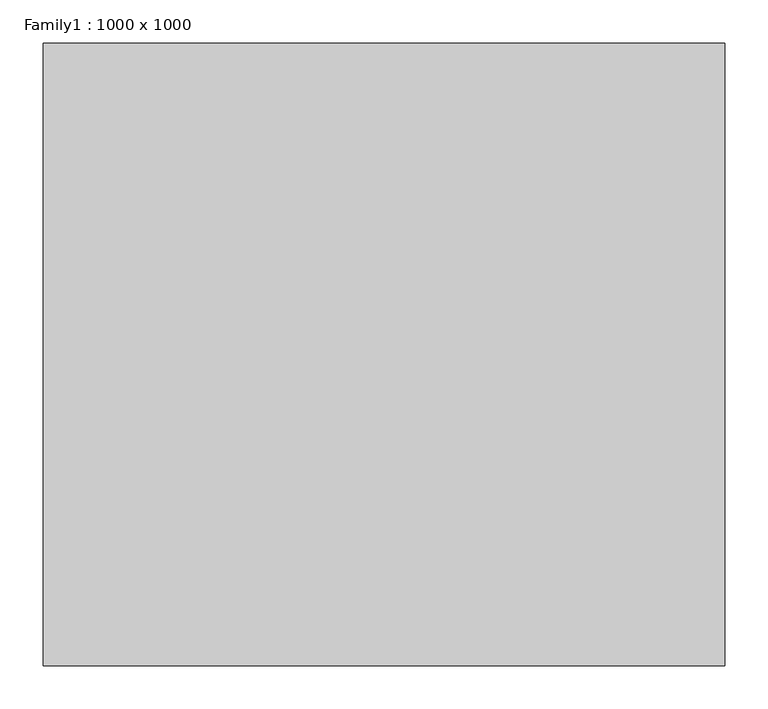
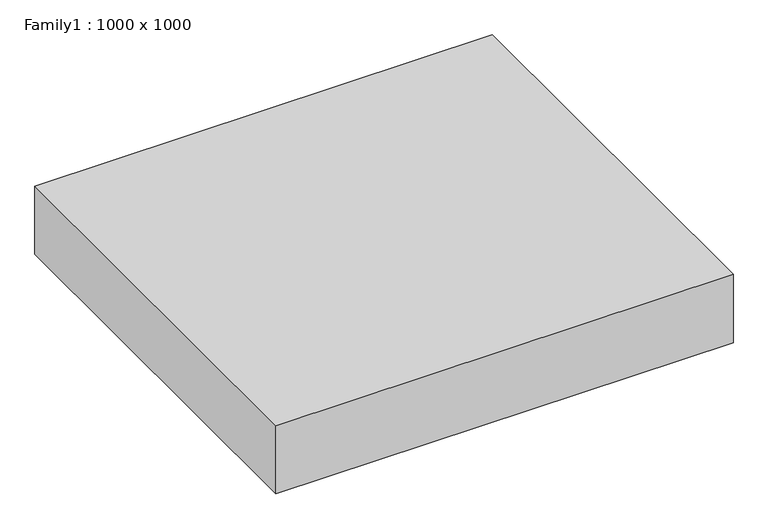
"""IFC4 building model written with IfcOpenShell, lengths in millimetres: proxy geometry, Family1 : 1000 x 1000."""

from ifc_helpers import new_model, si_unit, frame, origin, place, context, project, spatial, polyline, outline, extrude, source, transform, mapped, element, save


def family1_1000_x_1000_e46eb0fe(model_context):
    return source(origin(), model_context, "Body", "SweptSolid", [
        extrude(outline(polyline([(396.2198334, 361.9184821), (396.2198334, -361.9184821), (-396.2198334, -361.9184821), (-396.2198334, 361.9184821), (396.2198334, 361.9184821)])), frame((0.0, 0.0, -25.0), z_axis=(0.0, 0.0, 1.0), x_axis=(1.0, 0.0, 0.0)), (0.0, 0.0, 1.0), 125.0),
    ])


if __name__ == "__main__":
    model = new_model("IFC4")
    model_context = context("Model", 3, world=origin())
    ifc_project = project(units=[si_unit("LENGTHUNIT", "METRE", prefix="MILLI")], contexts=[model_context])
    site = spatial("IfcSite", under=ifc_project)
    building = spatial("IfcBuilding", under=site)
    placement = place(None, origin())
    family1_1000_x_1000_shape = family1_1000_x_1000_e46eb0fe(model_context)
    element("IfcBuildingElementProxy", 1, Name="Family1 : 1000 x 1000", ObjectType="Family1 : 1000 x 1000", at=placement, inside=building, context=model_context, shape_type="MappedRepresentation", body=[
        mapped(family1_1000_x_1000_shape, transform((0.0, 0.0, 0.0), x_axis=(1.0, 0.0, 0.0), y_axis=(0.0, 1.0, 0.0), z_axis=(0.0, 0.0, 1.0))),
    ])
    save(model, "model.ifc")
